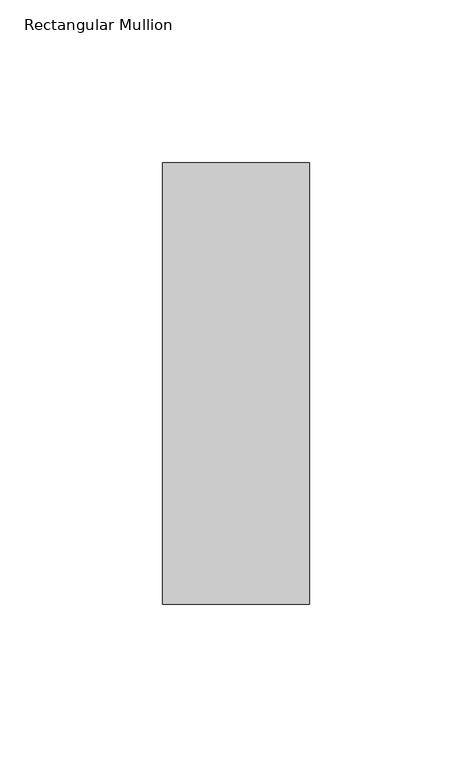
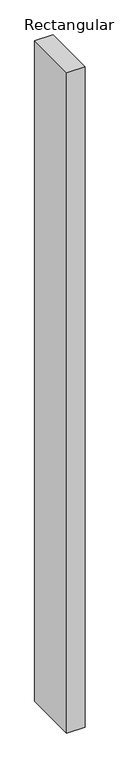
"""IFC4 building model written with IfcOpenShell, lengths in millimetres: member geometry, Rectangular Mullion."""

from ifc_helpers import new_model, si_unit, frame, origin, place, context, project, spatial, polyline, outline, extrude, source, transform, mapped, element, save


def rectangular_mullion_8dac6fc6(model_context):
    return source(origin(), model_context, "Body", "SweptSolid", [
        extrude(outline(polyline([(22.5, 95.7), (22.5, -39.7), (-22.5, -39.7), (-22.5, 95.7), (22.5, 95.7)])), frame((0.0, 0.0, -1708.8912252), z_axis=(0.0, 0.0, 1.0), x_axis=(1.0, 0.0, 0.0)), (0.0, 0.0, 1.0), 1708.8912252),
    ])


if __name__ == "__main__":
    model = new_model("IFC4")
    model_context = context("Model", 3, world=origin())
    ifc_project = project(units=[si_unit("LENGTHUNIT", "METRE", prefix="MILLI")], contexts=[model_context])
    site = spatial("IfcSite", under=ifc_project)
    building = spatial("IfcBuilding", under=site)
    placement = place(None, origin())
    rectangular_mullion_shape = rectangular_mullion_8dac6fc6(model_context)
    element("IfcMember", 1, ObjectType="Rectangular Mullion", at=placement, inside=building, context=model_context, shape_type="MappedRepresentation", body=[
        mapped(rectangular_mullion_shape, transform((0.0, 0.0, 0.0), x_axis=(1.0, 0.0, 0.0), y_axis=(0.0, 1.0, 0.0), z_axis=(0.0, 0.0, 1.0))),
    ])
    save(model, "model.ifc")
